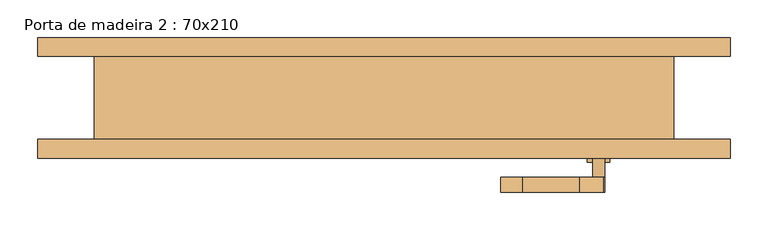
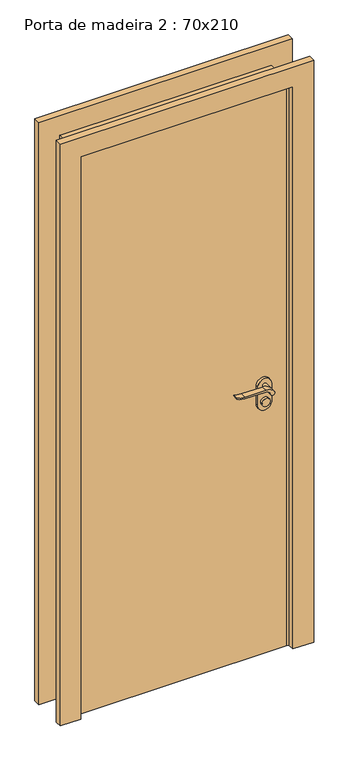
"""IFC4 building model written with IfcOpenShell, lengths in millimetres: door geometry, Porta de madeira 2 : 70x210."""

import ifcopenshell
import ifcopenshell.guid

model = None  # the IFC model being written
_history = None  # IfcOwnerHistory: only IFC2X3 demands one
_inside = {}  # id of a spatial element -> (the spatial element, [elements in it])
_under = {}  # id of a project, library or spatial element -> (it, [spatial elements below it])
_declared = {}  # id of a project -> (the project, [libraries it declares])
_typed = {}  # id of a type object -> (the type object, [elements of that type])
_made_of = {}  # id of a material, layer set ... -> (it, [elements and type objects made of it])


def new_model(schema):
    """Start an empty IFC model of exactly this schema.

    Asked for "IFC4X3", IfcOpenShell would pick the latest addendum, in which some entities
    have other attributes; the version numbers below select the first issue.
    IFC2X3 requires an IfcOwnerHistory on every rooted entity: one is made here for all.
    """
    global model, _history
    if schema == "IFC4X3":
        model = ifcopenshell.file(schema_version=(4, 3, 0, 0))
    else:
        model = ifcopenshell.file(schema=schema)
    _inside.clear()
    _under.clear()
    _declared.clear()
    _typed.clear()
    _made_of.clear()
    _history = None
    if model.schema == "IFC2X3":
        org = make("IfcOrganization", Name="unknown")
        user = make(
            "IfcPersonAndOrganization",
            ThePerson=make("IfcPerson", FamilyName="unknown"),
            TheOrganization=org,
        )
        app = make(
            "IfcApplication",
            ApplicationDeveloper=org,
            Version="unknown",
            ApplicationFullName="unknown",
            ApplicationIdentifier="unknown",
        )
        _history = make(
            "IfcOwnerHistory",
            OwningUser=user,
            OwningApplication=app,
            ChangeAction="ADDED",
            CreationDate=0,
        )
    return model


def make(cls, **values):
    """One entity of the class cls with the attributes given. An attribute that is None is left unset."""
    return model.create_entity(
        cls, **{name: value for name, value in values.items() if value is not None}
    )


def rooted(cls, **values):
    """An entity with a GlobalId (a new one), such as an element, a storey or a relation."""
    return make(cls, GlobalId=ifcopenshell.guid.new(), OwnerHistory=_history, **values)


def si_unit(unit_type, name, prefix=None):
    """IfcSIUnit, for example si_unit("LENGTHUNIT", "METRE", prefix="MILLI")."""
    return make("IfcSIUnit", UnitType=unit_type, Prefix=prefix, Name=name)


def assignment(units):
    """IfcUnitAssignment: the units of a project."""
    return None if units is None else make("IfcUnitAssignment", Units=units)


def point(xyz):
    """IfcCartesianPoint."""
    return None if xyz is None else make("IfcCartesianPoint", Coordinates=xyz)


def direction(xyz):
    """IfcDirection."""
    return None if xyz is None else make("IfcDirection", DirectionRatios=xyz)


def frame(location, z_axis=None, x_axis=None):
    """IfcAxis2Placement3D, a coordinate frame: its origin and axes. An axis left out is left unset."""
    return make(
        "IfcAxis2Placement3D",
        Location=point(location),
        Axis=direction(z_axis),
        RefDirection=direction(x_axis),
    )


def frame_2d(location, x_axis=None):
    """IfcAxis2Placement2D, a coordinate frame in the plane: its origin and x axis."""
    return make(
        "IfcAxis2Placement2D", Location=point(location), RefDirection=direction(x_axis)
    )


def origin():
    """The frame at (0, 0, 0) with its axes left unset."""
    return frame((0.0, 0.0, 0.0))


def origin_with_axes():
    """The frame at (0, 0, 0) with the z axis (0, 0, 1) and the x axis (1, 0, 0) written out."""
    return frame((0.0, 0.0, 0.0), z_axis=(0.0, 0.0, 1.0), x_axis=(1.0, 0.0, 0.0))


def place(relative_to, where):
    """IfcLocalPlacement: puts the frame where relative to a parent placement (None: the world)."""
    return make(
        "IfcLocalPlacement", PlacementRelTo=relative_to, RelativePlacement=where
    )


def context(
    kind, dimensions, precision=None, world=None, true_north=None, identifier=None
):
    """IfcGeometricRepresentationContext, for example the 3D "Model" context."""
    return make(
        "IfcGeometricRepresentationContext",
        ContextIdentifier=identifier,
        ContextType=kind,
        CoordinateSpaceDimension=dimensions,
        Precision=precision,
        WorldCoordinateSystem=world,
        TrueNorth=true_north,
    )


def project(units=None, contexts=None):
    """IfcProject with its units and contexts."""
    return rooted(
        "IfcProject",
        Name="project",
        RepresentationContexts=contexts,
        UnitsInContext=assignment(units),
    )


def spatial(cls, under=None, at=None, **own):
    """A site, building, storey or space (cls), placed at a placement, below another one or the project."""
    s = rooted(cls, ObjectPlacement=at, **own)
    if under is not None:
        _under.setdefault(under.id(), (under, []))[1].append(s)
    return s


def polyline(points):
    """IfcPolyline through the points."""
    return make("IfcPolyline", Points=[point(p) for p in points])


def circle_curve(where, radius):
    """IfcCircle in the frame where."""
    return make("IfcCircle", Position=where, Radius=radius)


def trimmed(basis, trim1, trim2, sense, master):
    """IfcTrimmedCurve: the piece of a basis curve between two trims."""
    return make(
        "IfcTrimmedCurve",
        BasisCurve=basis,
        Trim1=trim1,
        Trim2=trim2,
        SenseAgreement=sense,
        MasterRepresentation=master,
    )


def segment(curve, same_sense, transition):
    """IfcCompositeCurveSegment."""
    return make(
        "IfcCompositeCurveSegment",
        Transition=transition,
        SameSense=same_sense,
        ParentCurve=curve,
    )


def composite_curve(segments, self_intersect=None):
    """IfcCompositeCurve: segments joined end to end."""
    return make("IfcCompositeCurve", Segments=segments, SelfIntersect=self_intersect)


def outline(outer, holes=None, kind="AREA"):
    """IfcArbitraryClosedProfileDef: a profile drawn as a closed curve; with holes, ...WithVoids."""
    if holes is None:
        return make("IfcArbitraryClosedProfileDef", ProfileType=kind, OuterCurve=outer)
    return make(
        "IfcArbitraryProfileDefWithVoids",
        ProfileType=kind,
        OuterCurve=outer,
        InnerCurves=holes,
    )


def extrude(swept, where, along, depth):
    """IfcExtrudedAreaSolid: the profile swept, set in the frame where, extruded along a direction by depth."""
    return make(
        "IfcExtrudedAreaSolid",
        SweptArea=swept,
        Position=where,
        ExtrudedDirection=direction(along),
        Depth=depth,
    )


def faces_of(points, faces, orient=None, outer=None):
    """IfcFace entities. A face is a list of loops; a loop is a list of indices into points, from 0.

    orient and outer hold one flag for each loop. By default every Orientation is true, the
    first loop of a face is its IfcFaceOuterBound and the others are IfcFaceBound.
    """
    made = []
    for i, loops in enumerate(faces):
        bounds = []
        for j, loop in enumerate(loops):
            is_outer = j == 0 if outer is None else outer[i][j]
            bounds.append(
                make(
                    "IfcFaceOuterBound" if is_outer else "IfcFaceBound",
                    Bound=make("IfcPolyLoop", Polygon=[points[k] for k in loop]),
                    Orientation=True if orient is None else orient[i][j],
                )
            )
        made.append(make("IfcFace", Bounds=bounds))
    return made


def faceted_brep(points, faces, orient=None, outer=None, voids=None):
    """IfcFacetedBrep: a solid bounded by flat faces; with voids (closed shells), ...WithVoids."""
    shared = [point(p) for p in points]
    hull = make("IfcClosedShell", CfsFaces=faces_of(shared, faces, orient, outer))
    if voids is None:
        return make("IfcFacetedBrep", Outer=hull)
    return make(
        "IfcFacetedBrepWithVoids",
        Outer=hull,
        Voids=[
            make(cls, CfsFaces=faces_of(shared, fs, o, b)) for cls, fs, o, b in voids
        ],
    )


def shape(context_of_items, identifier, shape_type, items):
    """IfcShapeRepresentation: the items that make up one representation, for example the "Body"."""
    return make(
        "IfcShapeRepresentation",
        ContextOfItems=context_of_items,
        RepresentationIdentifier=identifier,
        RepresentationType=shape_type,
        Items=items,
    )


def source(mapping_origin, context_of_items, identifier, shape_type, items):
    """IfcRepresentationMap: a shape defined once, which mapped items show again and again."""
    return make(
        "IfcRepresentationMap",
        MappingOrigin=mapping_origin,
        MappedRepresentation=shape(context_of_items, identifier, shape_type, items),
    )


def transform(
    local_origin,
    x_axis=None,
    y_axis=None,
    z_axis=None,
    scale=None,
    scale2=None,
    scale3=None,
    uniform=True,
):
    """IfcCartesianTransformationOperator3D, or its non-uniform kind. x_axis, y_axis, z_axis: its Axis1, 2, 3."""
    if uniform:
        return make(
            "IfcCartesianTransformationOperator3D",
            Axis1=direction(x_axis),
            Axis2=direction(y_axis),
            LocalOrigin=point(local_origin),
            Scale=scale,
            Axis3=direction(z_axis),
        )
    return make(
        "IfcCartesianTransformationOperator3DnonUniform",
        Axis1=direction(x_axis),
        Axis2=direction(y_axis),
        LocalOrigin=point(local_origin),
        Scale=scale,
        Axis3=direction(z_axis),
        Scale2=scale2,
        Scale3=scale3,
    )


def mapped(mapping_source, mapping_target):
    """IfcMappedItem: shows the shape of a source again, moved by a transform."""
    return make(
        "IfcMappedItem", MappingSource=mapping_source, MappingTarget=mapping_target
    )


def made_of(thing, what):
    """Note that an element or type object is made of a material, layer set ...; save() writes the relation."""
    if what is not None:
        _made_of.setdefault(what.id(), (what, []))[1].append(thing)
    return thing


def element(
    cls,
    number,
    at=None,
    inside=None,
    cuts=None,
    type_object=None,
    material=None,
    context=None,
    identifier="Body",
    shape_type=None,
    held_by="IfcProductDefinitionShape",
    body=None,
    shapes=None,
    **own,
):
    """One element of the class cls, such as IfcWall. Its Tag is "e" and its number.

    at: its placement. inside: the storey or other place that contains it. cuts: it is an
    opening in that element (IfcRelVoidsElement). A single representation is given by context,
    identifier, shape_type and body (its items); several are given by shapes. held_by: the class
    of the entity that holds the representations. save() writes the other relations.
    """
    e = rooted(cls, Tag="e%d" % number, ObjectPlacement=at, **own)
    if body is not None:
        shapes = [shape(context, identifier, shape_type, body)]
    if shapes is not None:
        e.Representation = make(held_by, Representations=shapes)
    if inside is not None:
        _inside.setdefault(inside.id(), (inside, []))[1].append(e)
    if cuts is not None:
        rooted(
            "IfcRelVoidsElement", RelatingBuildingElement=cuts, RelatedOpeningElement=e
        )
    if type_object is not None:
        _typed.setdefault(type_object.id(), (type_object, []))[1].append(e)
    return made_of(e, material)


def aggregate(whole, parts):
    """IfcRelAggregates: a whole, such as a stair, and the parts it consists of."""
    return rooted("IfcRelAggregates", RelatingObject=whole, RelatedObjects=parts)


def save(model, path):
    """Write the relations noted so far, then the file.

    IfcRelAggregates (storeys below a building ...), IfcRelContainedInSpatialStructure (elements
    in a storey), IfcRelDefinesByType, IfcRelAssociatesMaterial and IfcRelDeclares: one each for
    every whole, place, type object, material and project.
    """
    for whole, parts in _under.values():
        aggregate(whole, parts)
    for where, things in _inside.values():
        rooted(
            "IfcRelContainedInSpatialStructure",
            RelatedElements=things,
            RelatingStructure=where,
        )
    for kind, things in _typed.values():
        rooted("IfcRelDefinesByType", RelatedObjects=things, RelatingType=kind)
    for what, things in _made_of.values():
        rooted("IfcRelAssociatesMaterial", RelatedObjects=things, RelatingMaterial=what)
    for by, libraries in _declared.values():
        rooted("IfcRelDeclares", RelatingContext=by, RelatedDefinitions=libraries)
    model.write(path)


def porta_de_madeira_2_70x210_ef392e09(model_context):
    return source(origin(), model_context, "Body", "SolidModel", [
        extrude(outline(composite_curve([segment(trimmed(circle_curve(frame_2d((985.0, 285.0)), 15.0), [point((985.0, 270.0))], [point((985.0, 300.0))], False, "CARTESIAN"), True, "CONTINUOUS"), segment(trimmed(circle_curve(frame_2d((985.0, 285.0)), 15.0), [point((985.0, 300.0))], [point((985.0, 270.0))], False, "CARTESIAN"), True, "CONTINUOUS")], self_intersect=False)), frame((0.0, -25.0, 0.0), z_axis=(0.0, 1.0, 0.0), x_axis=(0.0, 0.0, 1.0)), (0.0, 0.0, 1.0), 10.0),
        extrude(outline(composite_curve([segment(trimmed(circle_curve(frame_2d((985.0, 285.0)), 15.0), [point((985.0, 270.0))], [point((985.0, 300.0))], False, "CARTESIAN"), True, "CONTINUOUS"), segment(trimmed(circle_curve(frame_2d((985.0, 285.0)), 15.0), [point((985.0, 300.0))], [point((985.0, 270.0))], False, "CARTESIAN"), True, "CONTINUOUS")], self_intersect=False)), frame((0.0, -85.0, 0.0), z_axis=(0.0, 1.0, 0.0), x_axis=(0.0, 0.0, 1.0)), (0.0, 0.0, 1.0), 10.0),
        extrude(outline(composite_curve([segment(trimmed(circle_curve(frame_2d((1027.7555521, 261.3324871)), 37.2832219), [point((1049.6523287, 291.5081363))], [point((1065.0, 259.6325667))], False, "CARTESIAN"), True, "CONTINUOUS"), segment(polyline([(1065.0, 259.6325667), (1065.0, 183.3564091)]), True, "CONTINUOUS"), segment(trimmed(circle_curve(frame_2d((1148.2850638, 183.4227909)), 83.2850902), [point((1065.0, 183.3564091))], [point((1070.0, 155.0))], True, "CARTESIAN"), True, "CONTINUOUS"), segment(polyline([(1070.0, 155.0), (1067.2135558, 155.0)]), True, "CONTINUOUS"), segment(trimmed(circle_curve(frame_2d((1117.2709207, 186.9396612)), 59.3791355), [point((1067.2135558, 155.0))], [point((1058.0, 183.3564091))], False, "CARTESIAN"), True, "CONTINUOUS"), segment(polyline([(1058.0, 183.3564091), (1058.0, 259.6138099)]), True, "CONTINUOUS"), segment(trimmed(circle_curve(frame_2d((1039.8738613, 259.6138099)), 18.1261387), [point((1058.0, 259.6138099))], [point((1045.0, 277.0))], True, "CARTESIAN"), True, "CONTINUOUS"), segment(trimmed(circle_curve(frame_2d((1045.0, 285.0)), 8.0), [point((1045.0, 277.0))], [point((1049.6523287, 291.5081363))], False, "CARTESIAN"), True, "CONTINUOUS")], self_intersect=False)), frame((0.0, 5.0, 0.0), z_axis=(0.0, 1.0, 0.0), x_axis=(0.0, 0.0, 1.0)), (0.0, 0.0, 1.0), 20.0),
        extrude(outline(composite_curve([segment(trimmed(circle_curve(frame_2d((1045.0, 285.0)), 8.0), [point((1044.9999903, 277.0))], [point((1049.6523287, 291.5081363))], False, "CARTESIAN"), True, "CONTINUOUS"), segment(trimmed(circle_curve(frame_2d((1027.7555521, 261.3324871)), 37.2832219), [point((1049.6523287, 291.5081363))], [point((1065.0, 259.6325667))], False, "CARTESIAN"), True, "CONTINUOUS"), segment(polyline([(1065.0, 259.6325667), (1065.0, 183.3564091)]), True, "CONTINUOUS"), segment(trimmed(circle_curve(frame_2d((1148.2850638, 183.4227909)), 83.2850902), [point((1065.0, 183.3564091))], [point((1070.0, 155.0))], True, "CARTESIAN"), True, "CONTINUOUS"), segment(polyline([(1070.0, 155.0), (1067.2135558, 155.0)]), True, "CONTINUOUS"), segment(trimmed(circle_curve(frame_2d((1117.2709207, 186.9396612)), 59.3791355), [point((1067.2135558, 155.0))], [point((1058.0, 183.3564091))], False, "CARTESIAN"), True, "CONTINUOUS"), segment(polyline([(1058.0, 183.3564091), (1058.0, 259.6138122)]), True, "CONTINUOUS"), segment(trimmed(circle_curve(frame_2d((1039.8738682, 259.6138122)), 18.1261318), [point((1058.0, 259.6138122))], [point((1044.9999903, 277.0))], True, "CARTESIAN"), True, "CONTINUOUS")], self_intersect=False)), frame((0.0, -125.0, 0.0), z_axis=(0.0, 1.0, 0.0), x_axis=(0.0, 0.0, 1.0)), (0.0, 0.0, 1.0), 20.0),
        extrude(outline(composite_curve([segment(trimmed(circle_curve(frame_2d((1045.0, 285.0)), 8.0), [point((1045.0, 277.0))], [point((1045.0, 293.0))], False, "CARTESIAN"), True, "CONTINUOUS"), segment(trimmed(circle_curve(frame_2d((1045.0, 285.0)), 8.0), [point((1045.0, 293.0))], [point((1045.0, 277.0))], False, "CARTESIAN"), True, "CONTINUOUS")], self_intersect=False)), frame((0.0, -25.0, 0.0), z_axis=(0.0, 1.0, 0.0), x_axis=(0.0, 0.0, 1.0)), (0.0, 0.0, 1.0), 30.0),
        extrude(outline(composite_curve([segment(trimmed(circle_curve(frame_2d((1045.0, 285.0)), 8.0), [point((1045.0, 277.0))], [point((1045.0, 293.0))], False, "CARTESIAN"), True, "CONTINUOUS"), segment(trimmed(circle_curve(frame_2d((1045.0, 285.0)), 8.0), [point((1045.0, 293.0))], [point((1045.0, 277.0))], False, "CARTESIAN"), True, "CONTINUOUS")], self_intersect=False)), frame((0.0, -105.0, 0.0), z_axis=(0.0, 1.0, 0.0), x_axis=(0.0, 0.0, 1.0)), (0.0, 0.0, 1.0), 30.0),
        extrude(outline(composite_curve([segment(polyline([(975.0, 310.0), (1045.0, 310.0)]), True, "CONTINUOUS"), segment(trimmed(circle_curve(frame_2d((1045.0, 285.0)), 25.0), [point((1045.0, 310.0))], [point((1045.0, 260.0))], False, "CARTESIAN"), True, "CONTINUOUS"), segment(polyline([(1045.0, 260.0), (975.0, 260.0)]), True, "CONTINUOUS"), segment(trimmed(circle_curve(frame_2d((975.0, 285.0)), 25.0), [point((975.0, 260.0))], [point((975.0, 310.0))], False, "CARTESIAN"), True, "CONTINUOUS")], self_intersect=False)), frame((0.0, -35.0, 0.0), z_axis=(0.0, 1.0, 0.0), x_axis=(0.0, 0.0, 1.0)), (0.0, 0.0, 1.0), 10.0),
        extrude(outline(composite_curve([segment(polyline([(975.0, 310.0), (1045.0, 310.0)]), True, "CONTINUOUS"), segment(trimmed(circle_curve(frame_2d((1045.0, 285.0)), 25.0), [point((1045.0, 310.0))], [point((1045.0, 260.0))], False, "CARTESIAN"), True, "CONTINUOUS"), segment(polyline([(1045.0, 260.0), (975.0, 260.0)]), True, "CONTINUOUS"), segment(trimmed(circle_curve(frame_2d((975.0, 285.0)), 25.0), [point((975.0, 260.0))], [point((975.0, 310.0))], False, "CARTESIAN"), True, "CONTINUOUS")], self_intersect=False)), frame((0.0, -75.0, 0.0), z_axis=(0.0, 1.0, 0.0), x_axis=(0.0, 0.0, 1.0)), (0.0, 0.0, 1.0), 10.0),
        extrude(outline(polyline([(2160.0, -385.0), (2160.0, 385.0), (0.0, 385.0), (0.0, 460.0), (2235.0, 460.0), (2235.0, -460.0), (0.0, -460.0), (0.0, -385.0), (2160.0, -385.0)])), frame((0.0, 55.0, 0.0), z_axis=(0.0, 1.0, 0.0), x_axis=(0.0, 0.0, 1.0)), (0.0, 0.0, 1.0), 25.0),
        extrude(outline(polyline([(2235.0, -460.0), (0.0, -460.0), (0.0, -385.0), (2160.0, -385.0), (2160.0, 385.0), (0.0, 385.0), (0.0, 460.0), (2235.0, 460.0), (2235.0, -460.0)])), frame((0.0, -80.0, 0.0), z_axis=(0.0, 1.0, 0.0), x_axis=(0.0, 0.0, 1.0)), (0.0, 0.0, 1.0), 25.0),
        extrude(outline(polyline([(375.0, -55.0), (-375.0, -55.0), (-375.0, -25.0), (375.0, -25.0), (375.0, -55.0)])), origin_with_axes(), (0.0, 0.0, 1.0), 2150.0),
        faceted_brep([(-365.0, -25.0, 0.0), (-375.0, -25.0, 0.0), (-375.0, -55.0, 0.0), (-385.0, -55.0, 0.0), (-385.0, 55.0, 0.0), (-365.0, 55.0, 0.0), (-365.0, -25.0, 2140.0), (365.0, -25.0, 2140.0), (365.0, -25.0, 0.0), (375.0, -25.0, 0.0), (375.0, -25.0, 2150.0), (-375.0, -25.0, 2150.0), (-385.0, 55.0, 2160.0), (385.0, 55.0, 2160.0), (385.0, 55.0, 0.0), (365.0, 55.0, 0.0), (365.0, 55.0, 2140.0), (-365.0, 55.0, 2140.0), (385.0, -55.0, 0.0), (375.0, -55.0, 0.0), (-375.0, -55.0, 2150.0), (375.0, -55.0, 2150.0), (385.0, -55.0, 2160.0), (-385.0, -55.0, 2160.0)], [[[0, 1, 2, 3, 4, 5]], [[1, 0, 6, 7, 8, 9, 10, 11]], [[5, 4, 12, 13, 14, 15, 16, 17]], [[0, 5, 17, 6]], [[7, 6, 17, 16]], [[9, 8, 15, 14, 18, 19]], [[8, 7, 16, 15]], [[20, 2, 1, 11]], [[3, 2, 20, 21, 19, 18, 22, 23]], [[4, 3, 23, 12]], [[21, 20, 11, 10]], [[23, 22, 13, 12]], [[19, 21, 10, 9]], [[22, 18, 14, 13]]]),
    ])


if __name__ == "__main__":
    model = new_model("IFC4")
    model_context = context("Model", 3, world=origin())
    ifc_project = project(units=[si_unit("LENGTHUNIT", "METRE", prefix="MILLI")], contexts=[model_context])
    site = spatial("IfcSite", under=ifc_project)
    building = spatial("IfcBuilding", under=site)
    placement = place(None, origin())
    porta_de_madeira_2_70x210_shape = porta_de_madeira_2_70x210_ef392e09(model_context)
    element("IfcDoor", 1, ObjectType="Porta de madeira 2 : 70x210", at=placement, inside=building, context=model_context, shape_type="MappedRepresentation", body=[
        mapped(porta_de_madeira_2_70x210_shape, transform((0.0, 0.0, 0.0), x_axis=(1.0, 0.0, 0.0), y_axis=(0.0, 1.0, 0.0), z_axis=(0.0, 0.0, 1.0))),
    ])
    save(model, "model.ifc")
